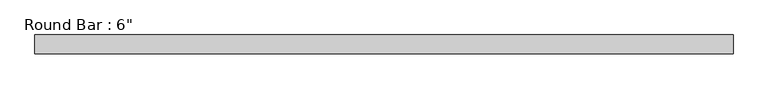
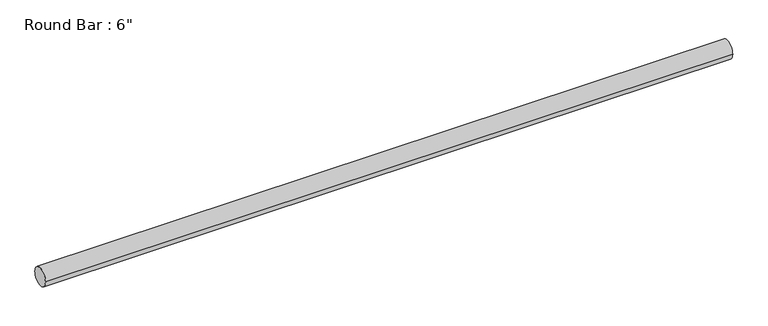
"""IFC4 building model written with IfcOpenShell, lengths in millimetres: beam geometry."""

from ifc_helpers import new_model, si_unit, point, frame, origin, origin_2d, place, context, project, spatial, circle_curve, trimmed, segment, composite_curve, outline, extrude, source, transform, mapped, element, save


def beam_a50e3d44(model_context):
    return source(origin(), model_context, "Body", "SweptSolid", [
        extrude(outline(composite_curve([segment(trimmed(circle_curve(origin_2d(), 76.2), [point((76.2, 0.0))], [point((-76.2, 0.0))], False, "CARTESIAN"), True, "CONTINUOUS"), segment(trimmed(circle_curve(origin_2d(), 76.2), [point((-76.2, 0.0))], [point((76.2, 0.0))], False, "CARTESIAN"), True, "CONTINUOUS")], self_intersect=False)), frame((-2794.8067047, 0.0, 0.0), z_axis=(1.0, 0.0, 0.0), x_axis=(0.0, 1.0, 0.0)), (0.0, 0.0, 1.0), 5675.2534822),
    ])


if __name__ == "__main__":
    model = new_model("IFC4")
    model_context = context("Model", 3, world=origin())
    ifc_project = project(units=[si_unit("LENGTHUNIT", "METRE", prefix="MILLI")], contexts=[model_context])
    site = spatial("IfcSite", under=ifc_project)
    building = spatial("IfcBuilding", under=site)
    placement = place(None, origin())
    beam_shape = beam_a50e3d44(model_context)
    element("IfcBeam", 1, ObjectType="Round Bar : 6\"", at=placement, inside=building, context=model_context, shape_type="MappedRepresentation", body=[
        mapped(beam_shape, transform((0.0, 0.0, 0.0), x_axis=(1.0, 0.0, 0.0), y_axis=(0.0, 1.0, 0.0), z_axis=(0.0, 0.0, 1.0))),
    ])
    save(model, "model.ifc")
